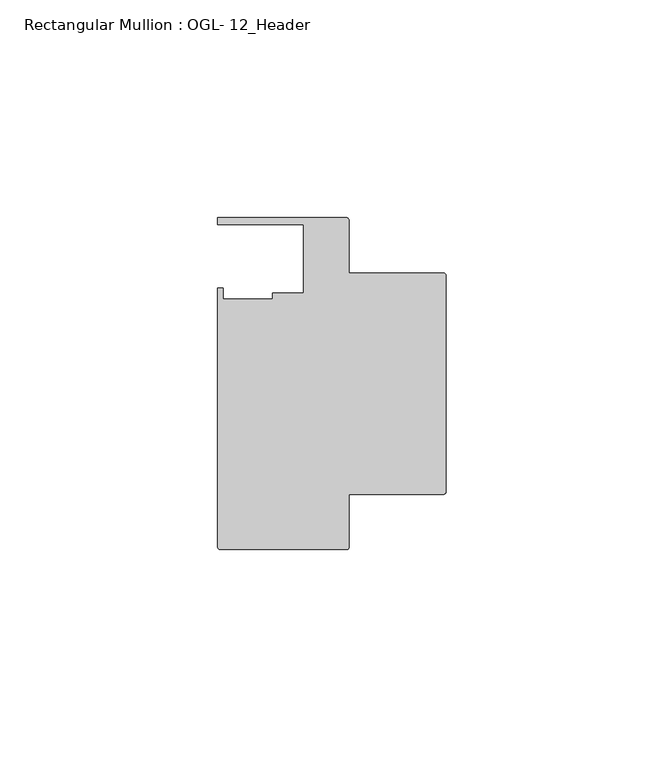
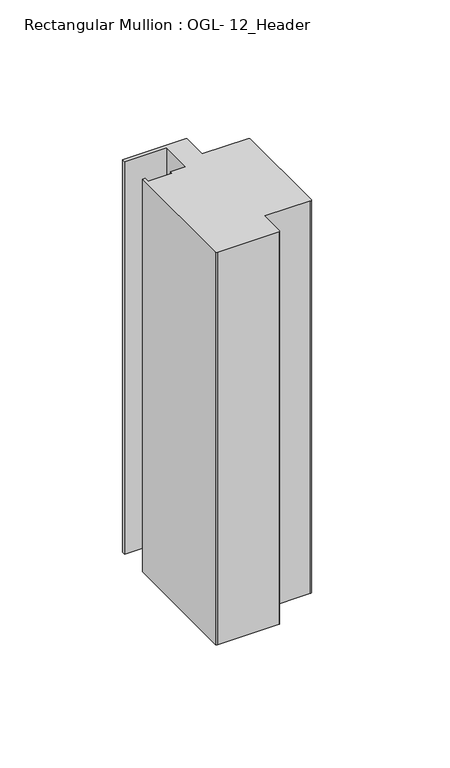
"""IFC4 building model written with IfcOpenShell, lengths in millimetres: member geometry, Rectangular Mullion : OGL- 12_Header."""

from ifc_helpers import new_model, si_unit, point, frame, frame_2d, origin, place, context, project, spatial, polyline, circle_curve, trimmed, segment, composite_curve, outline, extrude, source, transform, mapped, element, save


def rectangular_mullion_ogl_12_header_20d88da6(model_context):
    return source(origin(), model_context, "Body", "SweptSolid", [
        extrude(outline(composite_curve([segment(polyline([(-0.5953125, -25.4), (-22.2332898, -25.4), (-22.2332898, -37.5043667)]), True, "CONTINUOUS"), segment(trimmed(circle_curve(frame_2d((-22.8286023, -37.5043667)), 0.5953125), [point((-22.2332898, -37.5043667))], [point((-22.8286023, -38.0996792))], False, "CARTESIAN"), True, "CONTINUOUS"), segment(polyline([(-22.8286023, -38.0996792), (-51.7968699, -38.0996792)]), True, "CONTINUOUS"), segment(trimmed(circle_curve(frame_2d((-51.7968699, -37.5043667)), 0.5953125), [point((-51.7968699, -38.0996792))], [point((-52.3921824, -37.5043667))], False, "CARTESIAN"), True, "CONTINUOUS"), segment(polyline([(-52.3921824, -37.5043667), (-52.3921824, 21.9710976), (-51.1362531, 21.9710976), (-51.1362531, 19.4824275), (-39.7567771, 19.4824275), (-39.7567771, 20.8257348), (-32.730302, 20.8257348), (-32.730302, 36.512516), (-52.3830881, 36.512516), (-52.3830881, 38.100016), (-22.8763468, 38.100016)]), True, "CONTINUOUS"), segment(trimmed(circle_curve(frame_2d((-22.8763468, 37.456959)), 0.643057), [point((-22.8763468, 38.100016))], [point((-22.2332898, 37.456959))], False, "CARTESIAN"), True, "CONTINUOUS"), segment(polyline([(-22.2332898, 37.456959), (-22.2332898, 25.4), (-0.5953125, 25.4)]), True, "CONTINUOUS"), segment(trimmed(circle_curve(frame_2d((-0.5953125, 24.8046875)), 0.5953125), [point((-0.5953125, 25.4))], [point((0.0, 24.8046875))], False, "CARTESIAN"), True, "CONTINUOUS"), segment(polyline([(0.0, 24.8046875), (0.0, -24.8046875)]), True, "CONTINUOUS"), segment(trimmed(circle_curve(frame_2d((-0.5953125, -24.8046875)), 0.5953125), [point((0.0, -24.8046875))], [point((-0.5953125, -25.4))], False, "CARTESIAN"), True, "CONTINUOUS")], self_intersect=False)), frame((0.0, 0.0, -195.2660402), z_axis=(0.0, 0.0, 1.0), x_axis=(1.0, 0.0, 0.0)), (0.0, 0.0, 1.0), 195.2660402),
    ])


if __name__ == "__main__":
    model = new_model("IFC4")
    model_context = context("Model", 3, world=origin())
    ifc_project = project(units=[si_unit("LENGTHUNIT", "METRE", prefix="MILLI")], contexts=[model_context])
    site = spatial("IfcSite", under=ifc_project)
    building = spatial("IfcBuilding", under=site)
    placement = place(None, origin())
    rectangular_mullion_ogl_12_header_shape = rectangular_mullion_ogl_12_header_20d88da6(model_context)
    element("IfcMember", 1, ObjectType="Rectangular Mullion : OGL- 12_Header", at=placement, inside=building, context=model_context, shape_type="MappedRepresentation", body=[
        mapped(rectangular_mullion_ogl_12_header_shape, transform((0.0, 0.0, 0.0), x_axis=(1.0, 0.0, 0.0), y_axis=(0.0, 1.0, 0.0), z_axis=(0.0, 0.0, 1.0))),
    ])
    save(model, "model.ifc")
